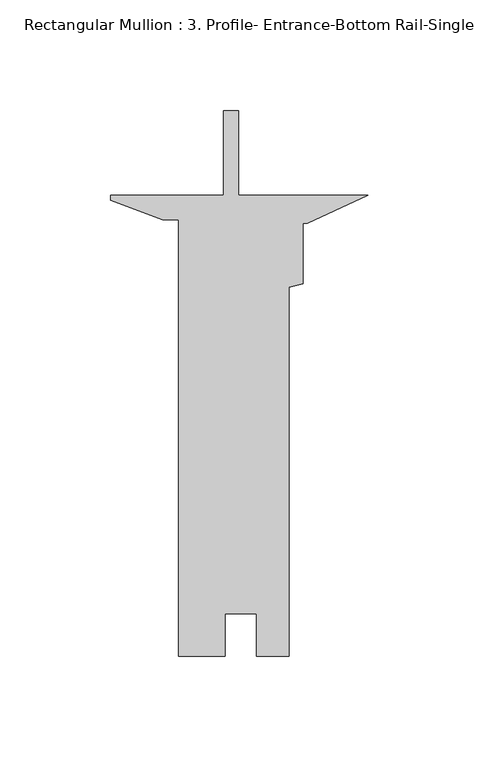
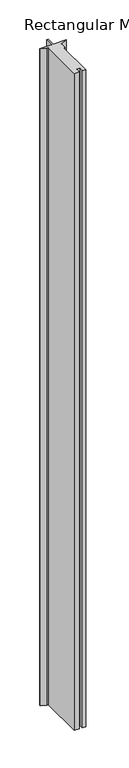
"""IFC4 building model written with IfcOpenShell, lengths in millimetres: member geometry, Rectangular Mullion : 3. Profile- Entrance-Bottom Rail-Single Acting- Detail-2."""

from ifc_helpers import new_model, si_unit, frame, origin, place, context, project, spatial, polyline, outline, extrude, source, transform, mapped, element, save


def rectangular_mullion_3_profile_entrance_bottom_rail_single_52a41364(model_context):
    return source(origin(), model_context, "Body", "SweptSolid", [
        extrude(outline(polyline([(-116.2538462, -2.3800236), (-116.2538462, 0.0), (-65.3347837, 0.0), (-65.3347837, 38.1012264), (-58.6037837, 38.1012264), (-58.6037837, 0.0012264), (0.0, 0.0012264), (-27.3538462, -12.6987736), (-29.4493462, -12.6987736), (-29.4493462, -39.9380562), (-35.7993462, -41.6395336), (-35.7993462, -207.9625449), (-50.3916462, -207.9625449), (-50.3916462, -188.9379449), (-64.708345, -188.9379449), (-64.708345, -207.9625436), (-85.5833462, -207.9625436), (-85.5833462, -11.1112736), (-92.8382212, -11.1112736), (-116.2538462, -2.3800236)])), frame((0.0, 0.0, -3048.0), z_axis=(0.0, 0.0, 1.0), x_axis=(1.0, 0.0, 0.0)), (0.0, 0.0, 1.0), 3048.0),
    ])


if __name__ == "__main__":
    model = new_model("IFC4")
    model_context = context("Model", 3, world=origin())
    ifc_project = project(units=[si_unit("LENGTHUNIT", "METRE", prefix="MILLI")], contexts=[model_context])
    site = spatial("IfcSite", under=ifc_project)
    building = spatial("IfcBuilding", under=site)
    placement = place(None, origin())
    rectangular_mullion_3_profile_entrance_bottom_rail_single_shape = rectangular_mullion_3_profile_entrance_bottom_rail_single_52a41364(model_context)
    element("IfcMember", 1, ObjectType="Rectangular Mullion : 3. Profile- Entrance-Bottom Rail-Single Acting- Detail-2", at=placement, inside=building, context=model_context, shape_type="MappedRepresentation", body=[
        mapped(rectangular_mullion_3_profile_entrance_bottom_rail_single_shape, transform((0.0, 0.0, 0.0), x_axis=(1.0, 0.0, 0.0), y_axis=(0.0, 1.0, 0.0), z_axis=(0.0, 0.0, 1.0))),
    ])
    save(model, "model.ifc")
